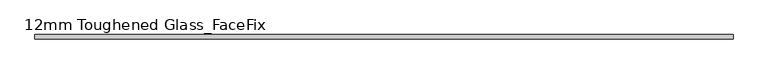
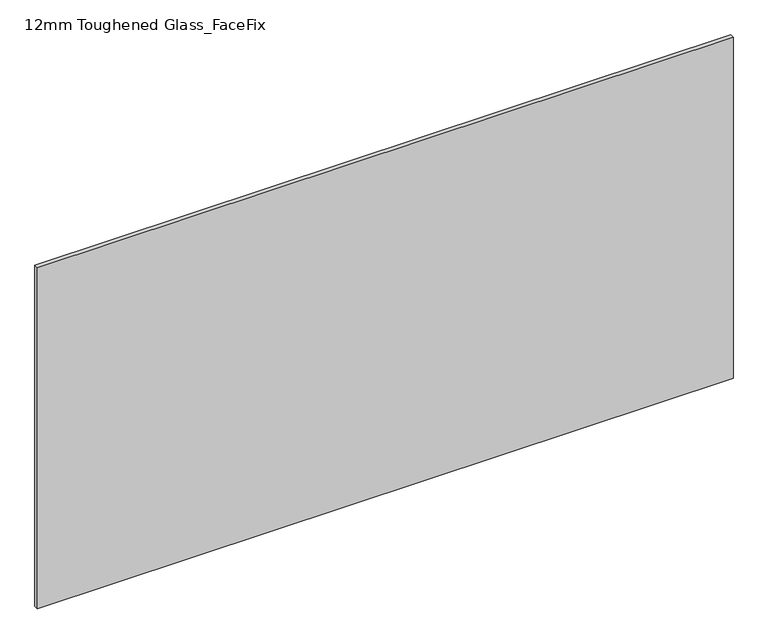
"""IFC4 building model written with IfcOpenShell, lengths in millimetres: plate geometry, 12mm Toughened Glass_FaceFix."""

from ifc_helpers import new_model, si_unit, origin, origin_with_axes, place, context, project, spatial, polyline, outline, extrude, source, transform, mapped, element, save


def plate_12mm_toughened_glass_facefix_95b4658a(model_context):
    return source(origin(), model_context, "Body", "SweptSolid", [
        extrude(outline(polyline([(945.0000001, -26.0), (945.0000001, -38.0), (-945.0000001, -38.0), (-945.0000001, -26.0), (945.0000001, -26.0)])), origin_with_axes(), (0.0, 0.0, 1.0), 979.0),
    ])


if __name__ == "__main__":
    model = new_model("IFC4")
    model_context = context("Model", 3, world=origin())
    ifc_project = project(units=[si_unit("LENGTHUNIT", "METRE", prefix="MILLI")], contexts=[model_context])
    site = spatial("IfcSite", under=ifc_project)
    building = spatial("IfcBuilding", under=site)
    placement = place(None, origin())
    plate_12mm_toughened_glass_facefix_shape = plate_12mm_toughened_glass_facefix_95b4658a(model_context)
    element("IfcPlate", 1, ObjectType="12mm Toughened Glass_FaceFix", at=placement, inside=building, context=model_context, shape_type="MappedRepresentation", body=[
        mapped(plate_12mm_toughened_glass_facefix_shape, transform((0.0, 0.0, 0.0), x_axis=(1.0, 0.0, 0.0), y_axis=(0.0, 1.0, 0.0), z_axis=(0.0, 0.0, 1.0))),
    ])
    save(model, "model.ifc")
